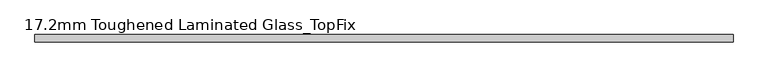
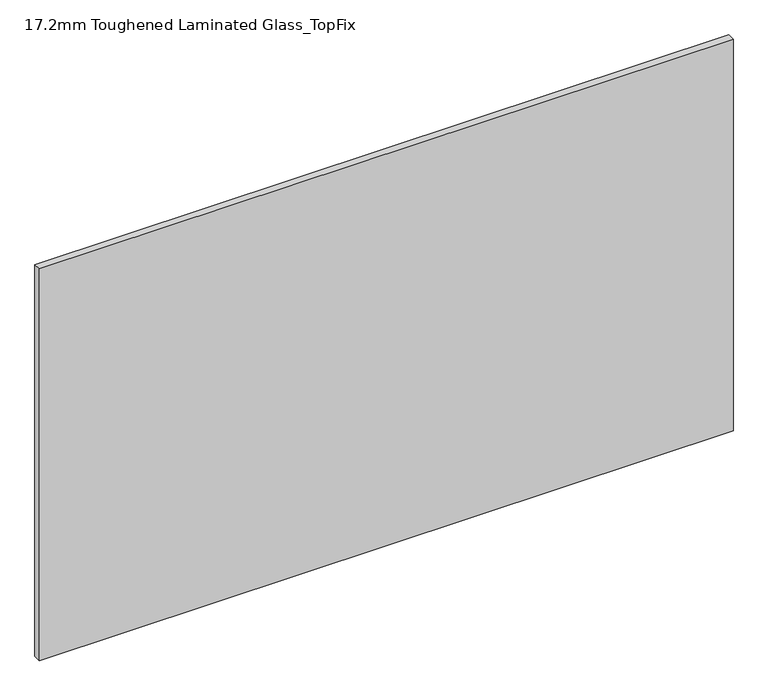
"""IFC4 building model written with IfcOpenShell, lengths in millimetres: plate geometry, 17.2mm Toughened Laminated Glass_TopFix."""

from ifc_helpers import new_model, si_unit, origin, origin_with_axes, place, context, project, spatial, polyline, outline, extrude, source, transform, mapped, element, save


def plate_17_2mm_toughened_laminated_glass_topfix_654262e6(model_context):
    return source(origin(), model_context, "Body", "SweptSolid", [
        extrude(outline(polyline([(795.0000001, 8.6), (795.0000001, -8.6), (-795.0000001, -8.6), (-795.0000001, 8.6), (795.0000001, 8.6)])), origin_with_axes(), (0.0, 0.0, 1.0), 949.0),
    ])


if __name__ == "__main__":
    model = new_model("IFC4")
    model_context = context("Model", 3, world=origin())
    ifc_project = project(units=[si_unit("LENGTHUNIT", "METRE", prefix="MILLI")], contexts=[model_context])
    site = spatial("IfcSite", under=ifc_project)
    building = spatial("IfcBuilding", under=site)
    placement = place(None, origin())
    plate_17_2mm_toughened_laminated_glass_topfix_shape = plate_17_2mm_toughened_laminated_glass_topfix_654262e6(model_context)
    element("IfcPlate", 1, ObjectType="17.2mm Toughened Laminated Glass_TopFix", at=placement, inside=building, context=model_context, shape_type="MappedRepresentation", body=[
        mapped(plate_17_2mm_toughened_laminated_glass_topfix_shape, transform((0.0, 0.0, 0.0), x_axis=(1.0, 0.0, 0.0), y_axis=(0.0, 1.0, 0.0), z_axis=(0.0, 0.0, 1.0))),
    ])
    save(model, "model.ifc")
